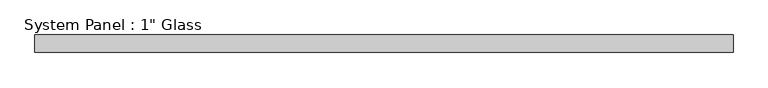
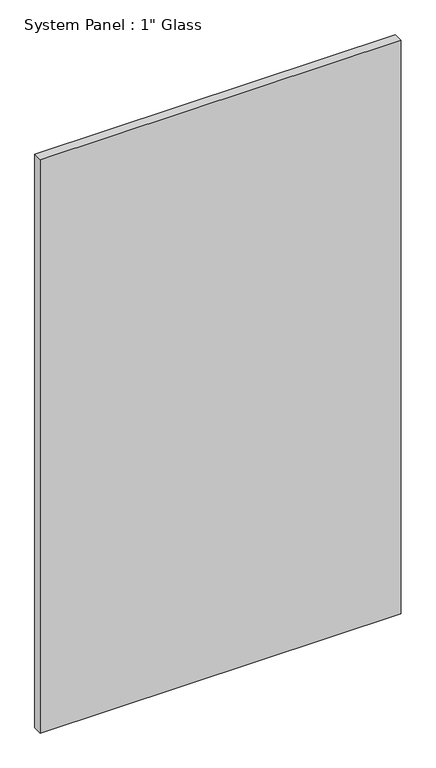
"""IFC4 building model written with IfcOpenShell, lengths in millimetres: plate geometry."""

from ifc_helpers import new_model, si_unit, origin, origin_with_axes, place, context, project, spatial, polyline, outline, extrude, source, transform, mapped, element, save


def plate_2cf57c11(model_context):
    return source(origin(), model_context, "Body", "SweptSolid", [
        extrude(outline(polyline([(504.825, -12.7), (-504.825, -12.7), (-504.825, 12.7), (504.825, 12.7), (504.825, -12.7)])), origin_with_axes(), (0.0, 0.0, 1.0), 1695.45),
    ])


if __name__ == "__main__":
    model = new_model("IFC4")
    model_context = context("Model", 3, world=origin())
    ifc_project = project(units=[si_unit("LENGTHUNIT", "METRE", prefix="MILLI")], contexts=[model_context])
    site = spatial("IfcSite", under=ifc_project)
    building = spatial("IfcBuilding", under=site)
    placement = place(None, origin())
    plate_shape = plate_2cf57c11(model_context)
    element("IfcPlate", 1, ObjectType="System Panel : 1\" Glass", at=placement, inside=building, context=model_context, shape_type="MappedRepresentation", body=[
        mapped(plate_shape, transform((0.0, 0.0, 0.0), x_axis=(1.0, 0.0, 0.0), y_axis=(0.0, 1.0, 0.0), z_axis=(0.0, 0.0, 1.0))),
    ])
    save(model, "model.ifc")
